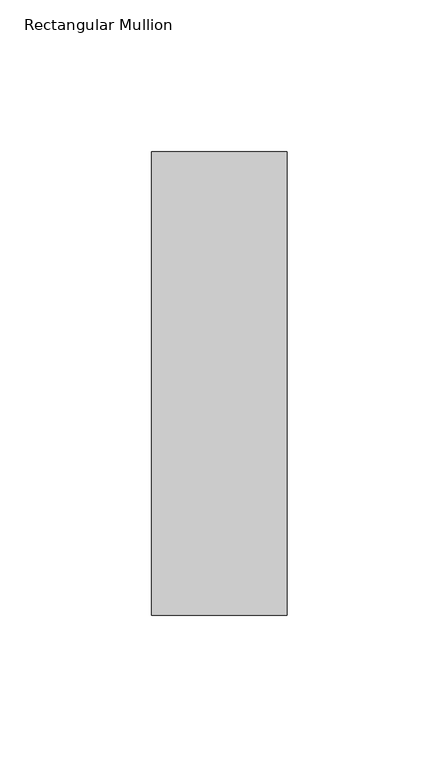
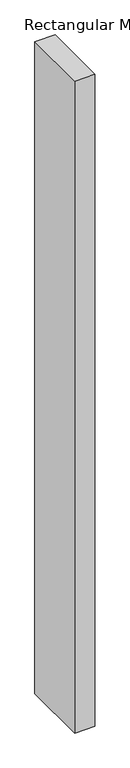
"""IFC4 building model written with IfcOpenShell, lengths in millimetres: member geometry, Rectangular Mullion."""

from ifc_helpers import new_model, si_unit, frame, origin, place, context, project, spatial, polyline, outline, extrude, source, transform, mapped, element, save


def rectangular_mullion_0c220f44(model_context):
    return source(origin(), model_context, "Body", "SweptSolid", [
        extrude(outline(polyline([(-44.45, 76.1906616), (0.0, 76.1906616), (0.0, -76.2033616), (-44.45, -76.2033616), (-44.45, 76.1906616)])), frame((0.0, 0.0, -1524.0), z_axis=(0.0, 0.0, 1.0), x_axis=(1.0, 0.0, 0.0)), (0.0, 0.0, 1.0), 1524.0),
    ])


if __name__ == "__main__":
    model = new_model("IFC4")
    model_context = context("Model", 3, world=origin())
    ifc_project = project(units=[si_unit("LENGTHUNIT", "METRE", prefix="MILLI")], contexts=[model_context])
    site = spatial("IfcSite", under=ifc_project)
    building = spatial("IfcBuilding", under=site)
    placement = place(None, origin())
    rectangular_mullion_shape = rectangular_mullion_0c220f44(model_context)
    element("IfcMember", 1, ObjectType="Rectangular Mullion", at=placement, inside=building, context=model_context, shape_type="MappedRepresentation", body=[
        mapped(rectangular_mullion_shape, transform((0.0, 0.0, 0.0), x_axis=(1.0, 0.0, 0.0), y_axis=(0.0, 1.0, 0.0), z_axis=(0.0, 0.0, 1.0))),
    ])
    save(model, "model.ifc")
